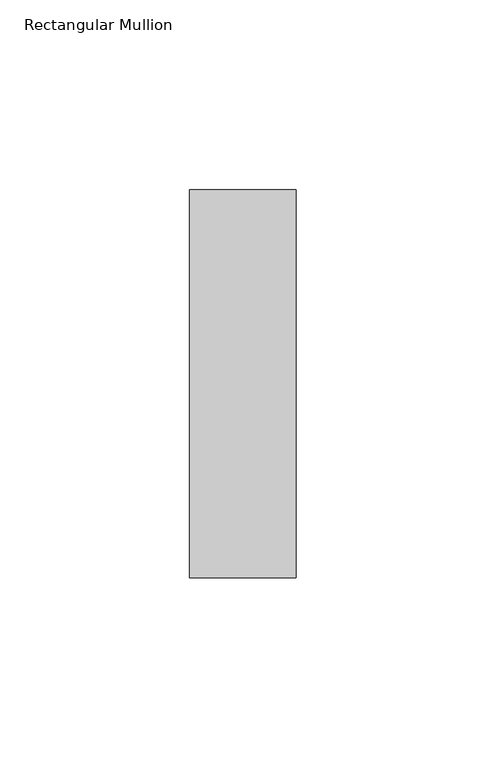
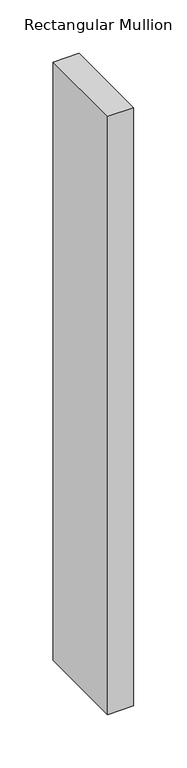
"""IFC4 building model written with IfcOpenShell, lengths in millimetres: member geometry, Rectangular Mullion."""

from ifc_helpers import new_model, si_unit, frame, origin, place, context, project, spatial, polyline, outline, extrude, source, transform, mapped, element, save


def rectangular_mullion_b9147cc9(model_context):
    return source(origin(), model_context, "Body", "SweptSolid", [
        extrude(outline(polyline([(-28.0, -51.0), (-28.0, 51.0), (0.0, 51.0), (0.0, -51.0), (-28.0, -51.0)])), frame((0.0, 0.0, -683.4), z_axis=(0.0, 0.0, 1.0), x_axis=(1.0, 0.0, 0.0)), (0.0, 0.0, 1.0), 683.4),
    ])


if __name__ == "__main__":
    model = new_model("IFC4")
    model_context = context("Model", 3, world=origin())
    ifc_project = project(units=[si_unit("LENGTHUNIT", "METRE", prefix="MILLI")], contexts=[model_context])
    site = spatial("IfcSite", under=ifc_project)
    building = spatial("IfcBuilding", under=site)
    placement = place(None, origin())
    rectangular_mullion_shape = rectangular_mullion_b9147cc9(model_context)
    element("IfcMember", 1, ObjectType="Rectangular Mullion", at=placement, inside=building, context=model_context, shape_type="MappedRepresentation", body=[
        mapped(rectangular_mullion_shape, transform((0.0, 0.0, 0.0), x_axis=(1.0, 0.0, 0.0), y_axis=(0.0, 1.0, 0.0), z_axis=(0.0, 0.0, 1.0))),
    ])
    save(model, "model.ifc")
